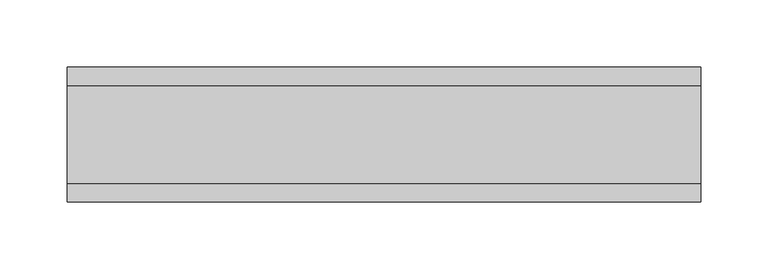
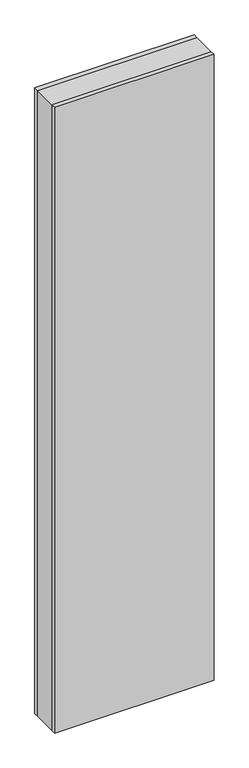
"""IFC4 building model written with IfcOpenShell, lengths in millimetres: plate geometry."""

from ifc_helpers import new_model, si_unit, origin, origin_with_axes, place, context, project, spatial, polyline, outline, extrude, source, transform, mapped, element, save


def plate_ef2bf379(model_context):
    return source(origin(), model_context, "Body", "SweptSolid", [
        extrude(outline(polyline([(234.5773172, 36.0), (234.5773172, -36.0), (-234.5773172, -36.0), (-234.5773172, 36.0), (234.5773172, 36.0)])), origin_with_axes(), (0.0, 0.0, 1.0), 1943.6971514),
        extrude(outline(polyline([(234.5773172, 50.0), (234.5773172, 36.0), (-234.5773172, 36.0), (-234.5773172, 50.0), (234.5773172, 50.0)])), origin_with_axes(), (0.0, 0.0, 1.0), 1943.6971514),
        extrude(outline(polyline([(234.5773172, -36.0), (234.5773172, -50.0), (-234.5773172, -50.0), (-234.5773172, -36.0), (234.5773172, -36.0)])), origin_with_axes(), (0.0, 0.0, 1.0), 1943.6971514),
    ])


if __name__ == "__main__":
    model = new_model("IFC4")
    model_context = context("Model", 3, world=origin())
    ifc_project = project(units=[si_unit("LENGTHUNIT", "METRE", prefix="MILLI")], contexts=[model_context])
    site = spatial("IfcSite", under=ifc_project)
    building = spatial("IfcBuilding", under=site)
    placement = place(None, origin())
    plate_shape = plate_ef2bf379(model_context)
    element("IfcPlate", 1, at=placement, inside=building, context=model_context, shape_type="MappedRepresentation", body=[
        mapped(plate_shape, transform((0.0, 0.0, 0.0), x_axis=(1.0, 0.0, 0.0), y_axis=(0.0, 1.0, 0.0), z_axis=(0.0, 0.0, 1.0))),
    ])
    save(model, "model.ifc")
